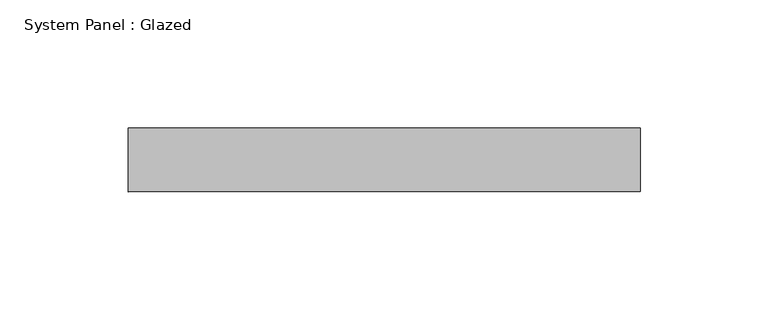
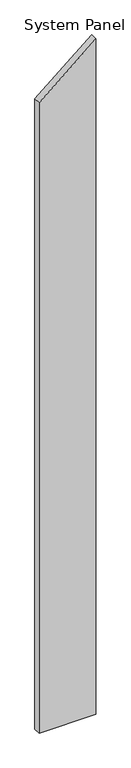
"""IFC4 building model written with IfcOpenShell, lengths in millimetres: plate geometry, System Panel : Glazed."""

import ifcopenshell
import ifcopenshell.guid

model = None  # the IFC model being written
_history = None  # IfcOwnerHistory: only IFC2X3 demands one
_inside = {}  # id of a spatial element -> (the spatial element, [elements in it])
_under = {}  # id of a project, library or spatial element -> (it, [spatial elements below it])
_declared = {}  # id of a project -> (the project, [libraries it declares])
_typed = {}  # id of a type object -> (the type object, [elements of that type])
_made_of = {}  # id of a material, layer set ... -> (it, [elements and type objects made of it])


def new_model(schema):
    """Start an empty IFC model of exactly this schema.

    Asked for "IFC4X3", IfcOpenShell would pick the latest addendum, in which some entities
    have other attributes; the version numbers below select the first issue.
    IFC2X3 requires an IfcOwnerHistory on every rooted entity: one is made here for all.
    """
    global model, _history
    if schema == "IFC4X3":
        model = ifcopenshell.file(schema_version=(4, 3, 0, 0))
    else:
        model = ifcopenshell.file(schema=schema)
    _inside.clear()
    _under.clear()
    _declared.clear()
    _typed.clear()
    _made_of.clear()
    _history = None
    if model.schema == "IFC2X3":
        org = make("IfcOrganization", Name="unknown")
        user = make(
            "IfcPersonAndOrganization",
            ThePerson=make("IfcPerson", FamilyName="unknown"),
            TheOrganization=org,
        )
        app = make(
            "IfcApplication",
            ApplicationDeveloper=org,
            Version="unknown",
            ApplicationFullName="unknown",
            ApplicationIdentifier="unknown",
        )
        _history = make(
            "IfcOwnerHistory",
            OwningUser=user,
            OwningApplication=app,
            ChangeAction="ADDED",
            CreationDate=0,
        )
    return model


def make(cls, **values):
    """One entity of the class cls with the attributes given. An attribute that is None is left unset."""
    return model.create_entity(
        cls, **{name: value for name, value in values.items() if value is not None}
    )


def rooted(cls, **values):
    """An entity with a GlobalId (a new one), such as an element, a storey or a relation."""
    return make(cls, GlobalId=ifcopenshell.guid.new(), OwnerHistory=_history, **values)


def si_unit(unit_type, name, prefix=None):
    """IfcSIUnit, for example si_unit("LENGTHUNIT", "METRE", prefix="MILLI")."""
    return make("IfcSIUnit", UnitType=unit_type, Prefix=prefix, Name=name)


def assignment(units):
    """IfcUnitAssignment: the units of a project."""
    return None if units is None else make("IfcUnitAssignment", Units=units)


def point(xyz):
    """IfcCartesianPoint."""
    return None if xyz is None else make("IfcCartesianPoint", Coordinates=xyz)


def direction(xyz):
    """IfcDirection."""
    return None if xyz is None else make("IfcDirection", DirectionRatios=xyz)


def frame(location, z_axis=None, x_axis=None):
    """IfcAxis2Placement3D, a coordinate frame: its origin and axes. An axis left out is left unset."""
    return make(
        "IfcAxis2Placement3D",
        Location=point(location),
        Axis=direction(z_axis),
        RefDirection=direction(x_axis),
    )


def origin():
    """The frame at (0, 0, 0) with its axes left unset."""
    return frame((0.0, 0.0, 0.0))


def place(relative_to, where):
    """IfcLocalPlacement: puts the frame where relative to a parent placement (None: the world)."""
    return make(
        "IfcLocalPlacement", PlacementRelTo=relative_to, RelativePlacement=where
    )


def context(
    kind, dimensions, precision=None, world=None, true_north=None, identifier=None
):
    """IfcGeometricRepresentationContext, for example the 3D "Model" context."""
    return make(
        "IfcGeometricRepresentationContext",
        ContextIdentifier=identifier,
        ContextType=kind,
        CoordinateSpaceDimension=dimensions,
        Precision=precision,
        WorldCoordinateSystem=world,
        TrueNorth=true_north,
    )


def project(units=None, contexts=None):
    """IfcProject with its units and contexts."""
    return rooted(
        "IfcProject",
        Name="project",
        RepresentationContexts=contexts,
        UnitsInContext=assignment(units),
    )


def spatial(cls, under=None, at=None, **own):
    """A site, building, storey or space (cls), placed at a placement, below another one or the project."""
    s = rooted(cls, ObjectPlacement=at, **own)
    if under is not None:
        _under.setdefault(under.id(), (under, []))[1].append(s)
    return s


def polyline(points):
    """IfcPolyline through the points."""
    return make("IfcPolyline", Points=[point(p) for p in points])


def outline(outer, holes=None, kind="AREA"):
    """IfcArbitraryClosedProfileDef: a profile drawn as a closed curve; with holes, ...WithVoids."""
    if holes is None:
        return make("IfcArbitraryClosedProfileDef", ProfileType=kind, OuterCurve=outer)
    return make(
        "IfcArbitraryProfileDefWithVoids",
        ProfileType=kind,
        OuterCurve=outer,
        InnerCurves=holes,
    )


def extrude(swept, where, along, depth):
    """IfcExtrudedAreaSolid: the profile swept, set in the frame where, extruded along a direction by depth."""
    return make(
        "IfcExtrudedAreaSolid",
        SweptArea=swept,
        Position=where,
        ExtrudedDirection=direction(along),
        Depth=depth,
    )


def shape(context_of_items, identifier, shape_type, items):
    """IfcShapeRepresentation: the items that make up one representation, for example the "Body"."""
    return make(
        "IfcShapeRepresentation",
        ContextOfItems=context_of_items,
        RepresentationIdentifier=identifier,
        RepresentationType=shape_type,
        Items=items,
    )


def source(mapping_origin, context_of_items, identifier, shape_type, items):
    """IfcRepresentationMap: a shape defined once, which mapped items show again and again."""
    return make(
        "IfcRepresentationMap",
        MappingOrigin=mapping_origin,
        MappedRepresentation=shape(context_of_items, identifier, shape_type, items),
    )


def transform(
    local_origin,
    x_axis=None,
    y_axis=None,
    z_axis=None,
    scale=None,
    scale2=None,
    scale3=None,
    uniform=True,
):
    """IfcCartesianTransformationOperator3D, or its non-uniform kind. x_axis, y_axis, z_axis: its Axis1, 2, 3."""
    if uniform:
        return make(
            "IfcCartesianTransformationOperator3D",
            Axis1=direction(x_axis),
            Axis2=direction(y_axis),
            LocalOrigin=point(local_origin),
            Scale=scale,
            Axis3=direction(z_axis),
        )
    return make(
        "IfcCartesianTransformationOperator3DnonUniform",
        Axis1=direction(x_axis),
        Axis2=direction(y_axis),
        LocalOrigin=point(local_origin),
        Scale=scale,
        Axis3=direction(z_axis),
        Scale2=scale2,
        Scale3=scale3,
    )


def mapped(mapping_source, mapping_target):
    """IfcMappedItem: shows the shape of a source again, moved by a transform."""
    return make(
        "IfcMappedItem", MappingSource=mapping_source, MappingTarget=mapping_target
    )


def made_of(thing, what):
    """Note that an element or type object is made of a material, layer set ...; save() writes the relation."""
    if what is not None:
        _made_of.setdefault(what.id(), (what, []))[1].append(thing)
    return thing


def element(
    cls,
    number,
    at=None,
    inside=None,
    cuts=None,
    type_object=None,
    material=None,
    context=None,
    identifier="Body",
    shape_type=None,
    held_by="IfcProductDefinitionShape",
    body=None,
    shapes=None,
    **own,
):
    """One element of the class cls, such as IfcWall. Its Tag is "e" and its number.

    at: its placement. inside: the storey or other place that contains it. cuts: it is an
    opening in that element (IfcRelVoidsElement). A single representation is given by context,
    identifier, shape_type and body (its items); several are given by shapes. held_by: the class
    of the entity that holds the representations. save() writes the other relations.
    """
    e = rooted(cls, Tag="e%d" % number, ObjectPlacement=at, **own)
    if body is not None:
        shapes = [shape(context, identifier, shape_type, body)]
    if shapes is not None:
        e.Representation = make(held_by, Representations=shapes)
    if inside is not None:
        _inside.setdefault(inside.id(), (inside, []))[1].append(e)
    if cuts is not None:
        rooted(
            "IfcRelVoidsElement", RelatingBuildingElement=cuts, RelatedOpeningElement=e
        )
    if type_object is not None:
        _typed.setdefault(type_object.id(), (type_object, []))[1].append(e)
    return made_of(e, material)


def aggregate(whole, parts):
    """IfcRelAggregates: a whole, such as a stair, and the parts it consists of."""
    return rooted("IfcRelAggregates", RelatingObject=whole, RelatedObjects=parts)


def save(model, path):
    """Write the relations noted so far, then the file.

    IfcRelAggregates (storeys below a building ...), IfcRelContainedInSpatialStructure (elements
    in a storey), IfcRelDefinesByType, IfcRelAssociatesMaterial and IfcRelDeclares: one each for
    every whole, place, type object, material and project.
    """
    for whole, parts in _under.values():
        aggregate(whole, parts)
    for where, things in _inside.values():
        rooted(
            "IfcRelContainedInSpatialStructure",
            RelatedElements=things,
            RelatingStructure=where,
        )
    for kind, things in _typed.values():
        rooted("IfcRelDefinesByType", RelatedObjects=things, RelatingType=kind)
    for what, things in _made_of.values():
        rooted("IfcRelAssociatesMaterial", RelatedObjects=things, RelatingMaterial=what)
    for by, libraries in _declared.values():
        rooted("IfcRelDeclares", RelatingContext=by, RelatedDefinitions=libraries)
    model.write(path)


def system_panel_glazed_d76355ff(model_context):
    return source(origin(), model_context, "Body", "SweptSolid", [
        extrude(outline(polyline([(0.0, -100.0), (0.0, 100.0), (2517.2988938, 100.0), (2349.4789676, -100.0), (0.0, -100.0)])), frame((0.0, 24.5, 0.0), z_axis=(0.0, 1.0, 0.0), x_axis=(0.0, 0.0, 1.0)), (0.0, 0.0, 1.0), 25.0),
    ])


if __name__ == "__main__":
    model = new_model("IFC4")
    model_context = context("Model", 3, world=origin())
    ifc_project = project(units=[si_unit("LENGTHUNIT", "METRE", prefix="MILLI")], contexts=[model_context])
    site = spatial("IfcSite", under=ifc_project)
    building = spatial("IfcBuilding", under=site)
    placement = place(None, origin())
    system_panel_glazed_shape = system_panel_glazed_d76355ff(model_context)
    element("IfcPlate", 1, ObjectType="System Panel : Glazed", at=placement, inside=building, context=model_context, shape_type="MappedRepresentation", body=[
        mapped(system_panel_glazed_shape, transform((0.0, 0.0, 0.0), x_axis=(1.0, 0.0, 0.0), y_axis=(0.0, 1.0, 0.0), z_axis=(0.0, 0.0, 1.0))),
    ])
    save(model, "model.ifc")
